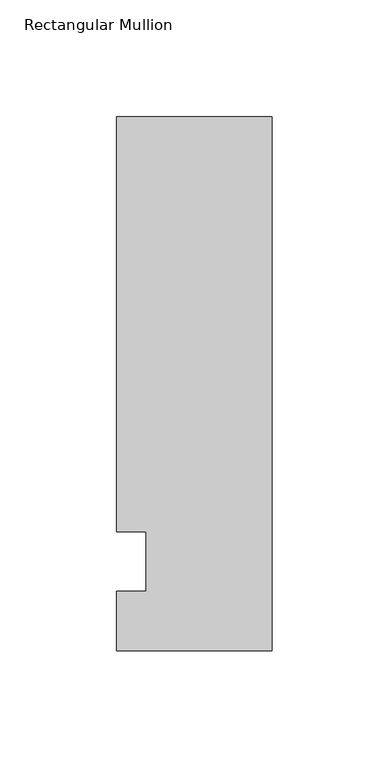
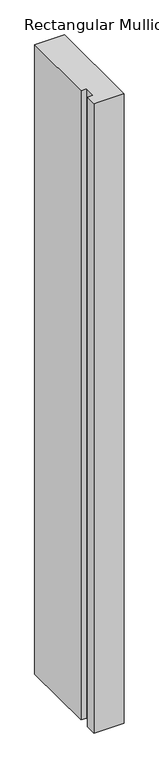
"""IFC4 building model written with IfcOpenShell, lengths in millimetres: member geometry, Rectangular Mullion."""

from ifc_helpers import new_model, si_unit, frame, origin, place, context, project, spatial, polyline, outline, extrude, source, transform, mapped, element, save


def rectangular_mullion_c1861b81(model_context):
    return source(origin(), model_context, "Body", "SweptSolid", [
        extrude(outline(polyline([(-66.675, 190.5), (0.0, 190.5), (0.0, -38.1), (-66.675, -38.1), (-66.675, -12.7), (-53.9732296, -12.7), (-53.9732296, 12.7), (-66.675, 12.7), (-66.675, 190.5)])), frame((0.0, 0.0, -1478.28), z_axis=(0.0, 0.0, 1.0), x_axis=(1.0, 0.0, 0.0)), (0.0, 0.0, 1.0), 1478.28),
    ])


if __name__ == "__main__":
    model = new_model("IFC4")
    model_context = context("Model", 3, world=origin())
    ifc_project = project(units=[si_unit("LENGTHUNIT", "METRE", prefix="MILLI")], contexts=[model_context])
    site = spatial("IfcSite", under=ifc_project)
    building = spatial("IfcBuilding", under=site)
    placement = place(None, origin())
    rectangular_mullion_shape = rectangular_mullion_c1861b81(model_context)
    element("IfcMember", 1, ObjectType="Rectangular Mullion", at=placement, inside=building, context=model_context, shape_type="MappedRepresentation", body=[
        mapped(rectangular_mullion_shape, transform((0.0, 0.0, 0.0), x_axis=(1.0, 0.0, 0.0), y_axis=(0.0, 1.0, 0.0), z_axis=(0.0, 0.0, 1.0))),
    ])
    save(model, "model.ifc")
